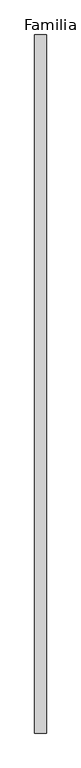
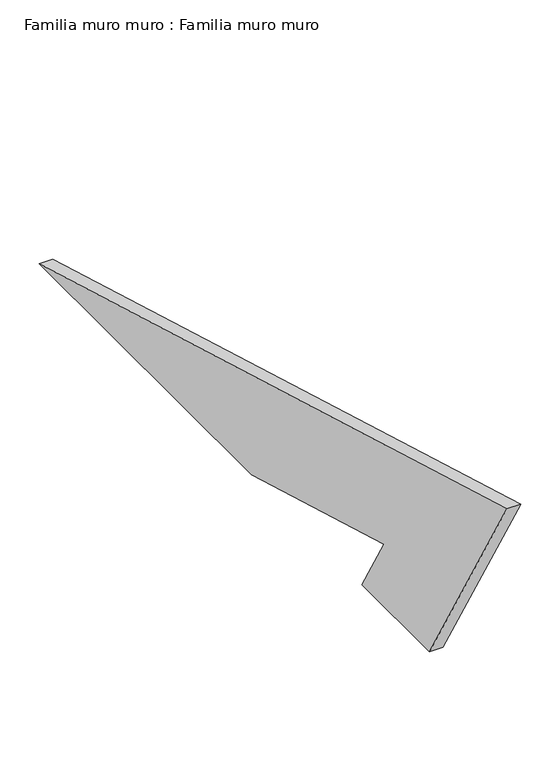
"""IFC4 building model written with IfcOpenShell, lengths in millimetres: plate geometry, Familia muro muro : Familia muro muro."""

from ifc_helpers import new_model, si_unit, frame, origin, place, context, project, spatial, polyline, outline, extrude, source, transform, mapped, element, save


def familia_muro_muro_familia_muro_muro_778c66d8(model_context):
    return source(origin(), model_context, "Body", "SweptSolid", [
        extrude(outline(polyline([(-1198.3977791, 343.6350335), (0.0, 0.0), (-544.1932918, 0.0), (-882.8624545, 97.1118197), (-826.7949192, 0.0), (-1000.0, 0.0), (-1198.3977791, 343.6350335)])), frame((0.0, 0.0, 0.0), z_axis=(1.0, 0.0, 0.0), x_axis=(0.0, 1.0, 0.0)), (0.0, 0.0, 1.0), 20.0),
    ])


if __name__ == "__main__":
    model = new_model("IFC4")
    model_context = context("Model", 3, world=origin())
    ifc_project = project(units=[si_unit("LENGTHUNIT", "METRE", prefix="MILLI")], contexts=[model_context])
    site = spatial("IfcSite", under=ifc_project)
    building = spatial("IfcBuilding", under=site)
    placement = place(None, origin())
    familia_muro_muro_familia_muro_muro_shape = familia_muro_muro_familia_muro_muro_778c66d8(model_context)
    element("IfcPlate", 1, ObjectType="Familia muro muro : Familia muro muro", at=placement, inside=building, context=model_context, shape_type="MappedRepresentation", body=[
        mapped(familia_muro_muro_familia_muro_muro_shape, transform((0.0, 0.0, 0.0), x_axis=(1.0, 0.0, 0.0), y_axis=(0.0, 1.0, 0.0), z_axis=(0.0, 0.0, 1.0))),
    ])
    save(model, "model.ifc")
